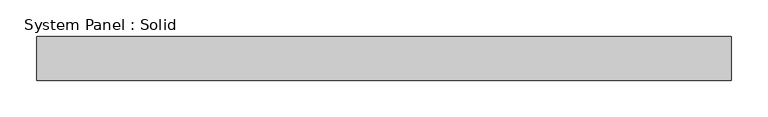
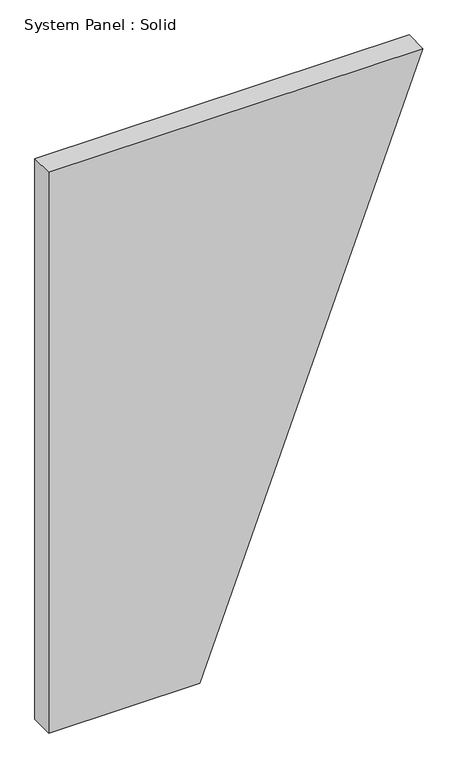
"""IFC4 building model written with IfcOpenShell, lengths in millimetres: plate geometry, System Panel : Solid."""

from ifc_helpers import new_model, si_unit, frame, origin, place, context, project, spatial, polyline, outline, extrude, source, transform, mapped, element, save


def system_panel_solid_44de9b49(model_context):
    return source(origin(), model_context, "Body", "SweptSolid", [
        extrude(outline(polyline([(0.0, -473.7563489), (0.0, -91.3176341), (1500.0, 473.7563489), (1500.0, -473.7563489), (0.0, -473.7563489)])), frame((0.0, -10.5, 0.0), z_axis=(0.0, 1.0, 0.0), x_axis=(0.0, 0.0, 1.0)), (0.0, 0.0, 1.0), 60.0),
    ])


if __name__ == "__main__":
    model = new_model("IFC4")
    model_context = context("Model", 3, world=origin())
    ifc_project = project(units=[si_unit("LENGTHUNIT", "METRE", prefix="MILLI")], contexts=[model_context])
    site = spatial("IfcSite", under=ifc_project)
    building = spatial("IfcBuilding", under=site)
    placement = place(None, origin())
    system_panel_solid_shape = system_panel_solid_44de9b49(model_context)
    element("IfcPlate", 1, ObjectType="System Panel : Solid", at=placement, inside=building, context=model_context, shape_type="MappedRepresentation", body=[
        mapped(system_panel_solid_shape, transform((0.0, 0.0, 0.0), x_axis=(1.0, 0.0, 0.0), y_axis=(0.0, 1.0, 0.0), z_axis=(0.0, 0.0, 1.0))),
    ])
    save(model, "model.ifc")
